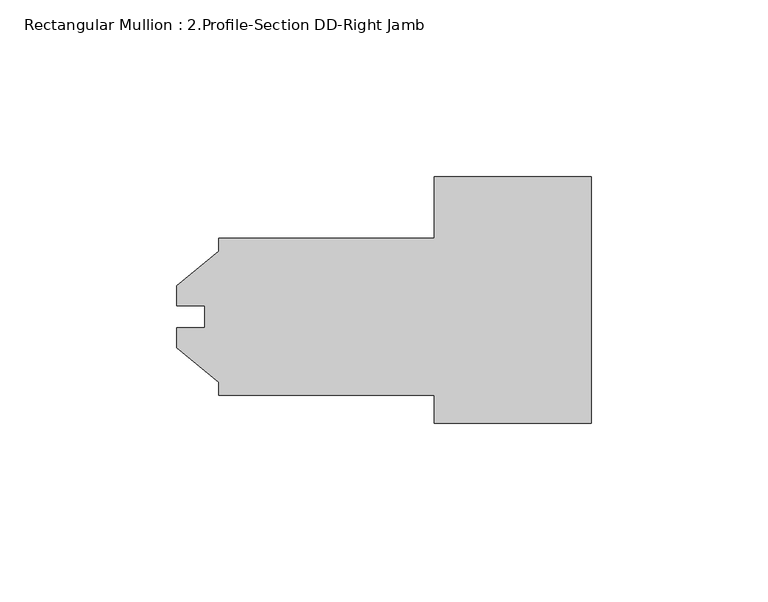
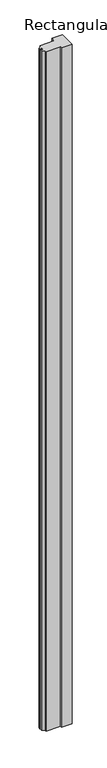
"""IFC4 building model written with IfcOpenShell, lengths in millimetres: member geometry, Rectangular Mullion : 2.Profile-Section DD-Right Jamb."""

from ifc_helpers import new_model, si_unit, frame, origin, place, context, project, spatial, polyline, outline, extrude, source, transform, mapped, element, save


def rectangular_mullion_2_profile_section_dd_right_jamb_870480d3(model_context):
    return source(origin(), model_context, "Body", "SweptSolid", [
        extrude(outline(polyline([(0.0, 17.4625), (0.0, -52.3875), (-44.45, -52.3875), (-44.45, -44.45), (-105.5624, -44.45), (-105.5624, -40.743836), (-117.46865, -30.9753), (-117.46865, -25.4), (-109.5248, -25.4), (-109.5248, -19.05), (-117.46865, -19.05), (-117.46865, -13.4747), (-105.5624, -3.706164), (-105.5624, 0.0), (-44.45, 0.0), (-44.45, 17.4625), (0.0, 17.4625)])), frame((0.0, 0.0, -3048.0), z_axis=(0.0, 0.0, 1.0), x_axis=(1.0, 0.0, 0.0)), (0.0, 0.0, 1.0), 3048.0),
    ])


if __name__ == "__main__":
    model = new_model("IFC4")
    model_context = context("Model", 3, world=origin())
    ifc_project = project(units=[si_unit("LENGTHUNIT", "METRE", prefix="MILLI")], contexts=[model_context])
    site = spatial("IfcSite", under=ifc_project)
    building = spatial("IfcBuilding", under=site)
    placement = place(None, origin())
    rectangular_mullion_2_profile_section_dd_right_jamb_shape = rectangular_mullion_2_profile_section_dd_right_jamb_870480d3(model_context)
    element("IfcMember", 1, ObjectType="Rectangular Mullion : 2.Profile-Section DD-Right Jamb", at=placement, inside=building, context=model_context, shape_type="MappedRepresentation", body=[
        mapped(rectangular_mullion_2_profile_section_dd_right_jamb_shape, transform((0.0, 0.0, 0.0), x_axis=(1.0, 0.0, 0.0), y_axis=(0.0, 1.0, 0.0), z_axis=(0.0, 0.0, 1.0))),
    ])
    save(model, "model.ifc")
